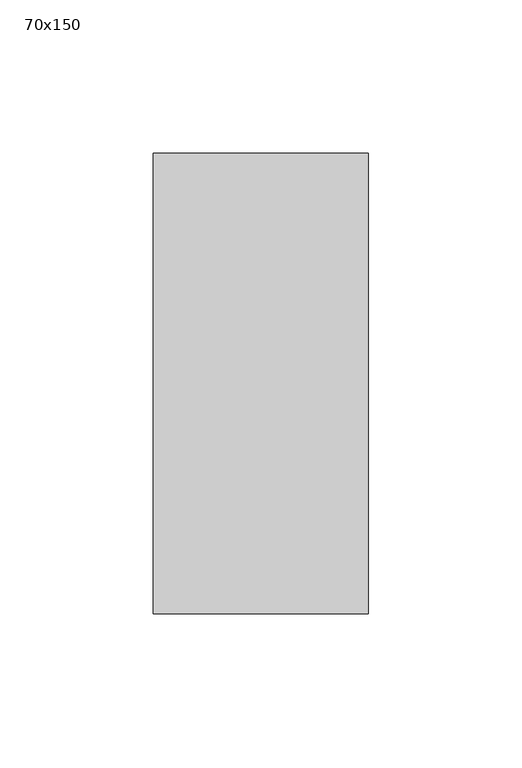
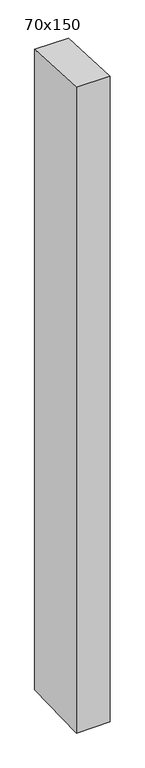
"""IFC4 building model written with IfcOpenShell, lengths in millimetres: member geometry, 70x150."""

from ifc_helpers import new_model, si_unit, frame, origin, place, context, project, spatial, polyline, outline, extrude, source, transform, mapped, element, save


def member_70x150_422f1907(model_context):
    return source(origin(), model_context, "Body", "SweptSolid", [
        extrude(outline(polyline([(-75.0, 3.7398753), (75.0, -3.7398753), (75.0, -1412.7445087), (-75.0, -1417.2882072), (-75.0, 3.7398753)])), frame((-35.0, 0.0, 0.0), z_axis=(1.0, 0.0, 0.0), x_axis=(0.0, 1.0, 0.0)), (0.0, 0.0, 1.0), 70.0),
    ])


if __name__ == "__main__":
    model = new_model("IFC4")
    model_context = context("Model", 3, world=origin())
    ifc_project = project(units=[si_unit("LENGTHUNIT", "METRE", prefix="MILLI")], contexts=[model_context])
    site = spatial("IfcSite", under=ifc_project)
    building = spatial("IfcBuilding", under=site)
    placement = place(None, origin())
    member_70x150_shape = member_70x150_422f1907(model_context)
    element("IfcMember", 1, ObjectType="70x150", at=placement, inside=building, context=model_context, shape_type="MappedRepresentation", body=[
        mapped(member_70x150_shape, transform((0.0, 0.0, 0.0), x_axis=(1.0, 0.0, 0.0), y_axis=(0.0, 1.0, 0.0), z_axis=(0.0, 0.0, 1.0))),
    ])
    save(model, "model.ifc")
